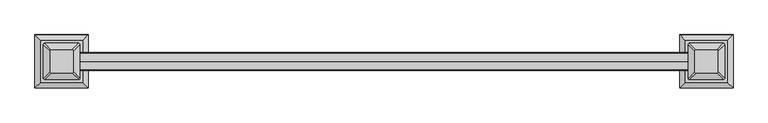
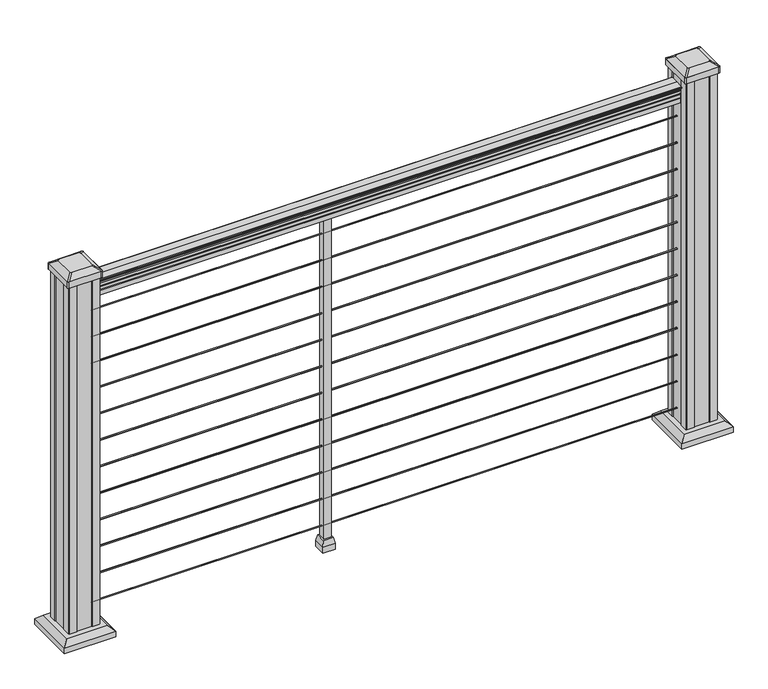
"""IFC4 building model written with IfcOpenShell, lengths in millimetres: railing geometry."""

from ifc_helpers import new_model, si_unit, point, frame, frame_2d, origin, origin_with_axes, place, context, project, spatial, polyline, circle_curve, trimmed, segment, composite_curve, outline, extrude, faceted_brep, source, transform, mapped, element, save
from ifc_brep_helpers import plane_surface, extruded_surface, advanced_brep


def railing_2fa614da(model_context):
    return source(origin(), model_context, "Body", "SolidModel", [
        extrude(outline(composite_curve([segment(polyline([(-101258.1992427, 938.4043297), (-101258.1992427, 940.292412)]), True, "CONTINUOUS"), segment(trimmed(circle_curve(frame_2d((-101251.8844895, 946.0506383)), 8.545951), [point((-101258.1992427, 940.292412))], [point((-101259.329429, 941.8546695))], False, "CARTESIAN"), True, "CONTINUOUS"), segment(trimmed(circle_curve(frame_2d((-101252.3215524, 945.4636577)), 7.882584), [point((-101259.329429, 941.8546695))], [point((-101259.329429, 949.0726458))], False, "CARTESIAN"), True, "CONTINUOUS"), segment(trimmed(circle_curve(frame_2d((-101262.8348766, 951.3112527)), 4.1592695), [point((-101259.329429, 949.0726458))], [point((-101258.6801726, 951.5060812))], True, "CARTESIAN"), True, "CONTINUOUS"), segment(trimmed(circle_curve(frame_2d((-101264.1221831, 951.2508864)), 5.4479907), [point((-101258.6801726, 951.5060812))], [point((-101261.1801726, 955.8362083))], True, "CARTESIAN"), True, "CONTINUOUS"), segment(trimmed(circle_curve(frame_2d((-101262.8890247, 955.833395)), 1.7088543), [point((-101261.1801726, 955.8362083))], [point((-101262.5895151, 957.5157972))], True, "CARTESIAN"), True, "CONTINUOUS"), segment(trimmed(circle_curve(frame_2d((-101261.2721246, 958.6205318)), 1.7192895), [point((-101262.5895151, 957.5157972))], [point((-101262.9914141, 958.6205318))], False, "CARTESIAN"), True, "CONTINUOUS"), segment(polyline([(-101262.9914141, 958.6205318), (-101262.991414, 959.9608158)]), True, "CONTINUOUS"), segment(trimmed(circle_curve(frame_2d((-101261.4379668, 959.9608158)), 1.5534472), [point((-101262.991414, 959.9608158))], [point((-101261.4379668, 961.514263))], False, "CARTESIAN"), True, "CONTINUOUS"), segment(polyline([(-101261.4379668, 961.514263), (-101240.766414, 961.514263), (-101220.0948612, 961.514263)]), True, "CONTINUOUS"), segment(trimmed(circle_curve(frame_2d((-101220.0948612, 959.9608158)), 1.5534472), [point((-101220.0948612, 961.514263))], [point((-101218.541414, 959.9608158))], False, "CARTESIAN"), True, "CONTINUOUS"), segment(polyline([(-101218.541414, 959.9608158), (-101218.541414, 958.6205318)]), True, "CONTINUOUS"), segment(trimmed(circle_curve(frame_2d((-101220.2607034, 958.6205318)), 1.7192895), [point((-101218.541414, 958.6205318))], [point((-101218.9433129, 957.5157972))], False, "CARTESIAN"), True, "CONTINUOUS"), segment(trimmed(circle_curve(frame_2d((-101218.6438033, 955.833395)), 1.7088543), [point((-101218.9433129, 957.5157972))], [point((-101220.3526554, 955.8362083))], True, "CARTESIAN"), True, "CONTINUOUS"), segment(trimmed(circle_curve(frame_2d((-101217.4106449, 951.2508864)), 5.4479907), [point((-101220.3526554, 955.8362083))], [point((-101222.8526554, 951.5060812))], True, "CARTESIAN"), True, "CONTINUOUS"), segment(trimmed(circle_curve(frame_2d((-101218.6979515, 951.3112527)), 4.1592695), [point((-101222.8526554, 951.5060812))], [point((-101222.203399, 949.0726458))], True, "CARTESIAN"), True, "CONTINUOUS"), segment(trimmed(circle_curve(frame_2d((-101229.2112756, 945.4636577)), 7.882584), [point((-101222.203399, 949.0726458))], [point((-101222.203399, 941.8546695))], False, "CARTESIAN"), True, "CONTINUOUS"), segment(trimmed(circle_curve(frame_2d((-101229.6483386, 946.0506383)), 8.545951), [point((-101222.203399, 941.8546695))], [point((-101223.3335853, 940.292412))], False, "CARTESIAN"), True, "CONTINUOUS"), segment(polyline([(-101223.3335853, 940.292412), (-101223.3335853, 938.4043297)]), True, "CONTINUOUS"), segment(trimmed(circle_curve(frame_2d((-101224.6204996, 938.4043297)), 1.2869144), [point((-101223.3335853, 938.4043297))], [point((-101225.907414, 938.4043297))], False, "CARTESIAN"), True, "CONTINUOUS"), segment(polyline([(-101225.907414, 938.4043297), (-101225.907414, 927.9048283), (-101224.891414, 926.8888283), (-101224.891414, 914.4), (-101256.641414, 914.4), (-101256.641414, 926.731013), (-101255.625414, 927.747013), (-101255.625414, 938.4043297)]), True, "CONTINUOUS"), segment(trimmed(circle_curve(frame_2d((-101256.9123284, 938.4043297)), 1.2869144), [point((-101255.625414, 938.4043297))], [point((-101258.1992427, 938.4043297))], False, "CARTESIAN"), True, "CONTINUOUS")], self_intersect=False)), frame((16844.0238122, 0.0, 0.0), z_axis=(1.0, 0.0, 0.0), x_axis=(0.0, 1.0, 0.0)), (0.0, 0.0, 1.0), 1524.0),
        extrude(outline(composite_curve([segment(trimmed(circle_curve(frame_2d((-101240.766414, 65.024)), 1.5875), [point((-101239.178914, 65.024))], [point((-101240.766414, 63.4365))], False, "CARTESIAN"), True, "CONTINUOUS"), segment(trimmed(circle_curve(frame_2d((-101240.766414, 65.024)), 1.5875), [point((-101240.766414, 63.4365))], [point((-101242.353914, 65.024))], False, "CARTESIAN"), True, "CONTINUOUS"), segment(trimmed(circle_curve(frame_2d((-101240.766414, 65.024)), 1.5875), [point((-101242.353914, 65.024))], [point((-101240.766414, 66.6115))], False, "CARTESIAN"), True, "CONTINUOUS"), segment(trimmed(circle_curve(frame_2d((-101240.766414, 65.024)), 1.5875), [point((-101240.766414, 66.6115))], [point((-101239.178914, 65.024))], False, "CARTESIAN"), True, "CONTINUOUS")], self_intersect=False)), frame((16844.0238122, 0.0, 0.0), z_axis=(1.0, 0.0, 0.0), x_axis=(0.0, 1.0, 0.0)), (0.0, 0.0, 1.0), 1524.0),
        extrude(outline(composite_curve([segment(trimmed(circle_curve(frame_2d((-101240.766414, 138.176)), 1.5875), [point((-101239.178914, 138.176))], [point((-101240.766414, 136.5885))], False, "CARTESIAN"), True, "CONTINUOUS"), segment(trimmed(circle_curve(frame_2d((-101240.766414, 138.176)), 1.5875), [point((-101240.766414, 136.5885))], [point((-101242.353914, 138.176))], False, "CARTESIAN"), True, "CONTINUOUS"), segment(trimmed(circle_curve(frame_2d((-101240.766414, 138.176)), 1.5875), [point((-101242.353914, 138.176))], [point((-101240.766414, 139.7635))], False, "CARTESIAN"), True, "CONTINUOUS"), segment(trimmed(circle_curve(frame_2d((-101240.766414, 138.176)), 1.5875), [point((-101240.766414, 139.7635))], [point((-101239.178914, 138.176))], False, "CARTESIAN"), True, "CONTINUOUS")], self_intersect=False)), frame((16844.0238122, 0.0, 0.0), z_axis=(1.0, 0.0, 0.0), x_axis=(0.0, 1.0, 0.0)), (0.0, 0.0, 1.0), 1524.0),
        extrude(outline(composite_curve([segment(trimmed(circle_curve(frame_2d((-101240.766414, 211.074)), 1.5875), [point((-101239.178914, 211.074))], [point((-101240.766414, 209.4865))], False, "CARTESIAN"), True, "CONTINUOUS"), segment(trimmed(circle_curve(frame_2d((-101240.766414, 211.074)), 1.5875), [point((-101240.766414, 209.4865))], [point((-101242.353914, 211.074))], False, "CARTESIAN"), True, "CONTINUOUS"), segment(trimmed(circle_curve(frame_2d((-101240.766414, 211.074)), 1.5875), [point((-101242.353914, 211.074))], [point((-101240.766414, 212.6615))], False, "CARTESIAN"), True, "CONTINUOUS"), segment(trimmed(circle_curve(frame_2d((-101240.766414, 211.074)), 1.5875), [point((-101240.766414, 212.6615))], [point((-101239.178914, 211.074))], False, "CARTESIAN"), True, "CONTINUOUS")], self_intersect=False)), frame((16844.0238122, 0.0, 0.0), z_axis=(1.0, 0.0, 0.0), x_axis=(0.0, 1.0, 0.0)), (0.0, 0.0, 1.0), 1524.0),
        extrude(outline(composite_curve([segment(trimmed(circle_curve(frame_2d((-101240.766414, 284.226)), 1.5875), [point((-101239.178914, 284.226))], [point((-101240.766414, 282.6385))], False, "CARTESIAN"), True, "CONTINUOUS"), segment(trimmed(circle_curve(frame_2d((-101240.766414, 284.226)), 1.5875), [point((-101240.766414, 282.6385))], [point((-101242.353914, 284.226))], False, "CARTESIAN"), True, "CONTINUOUS"), segment(trimmed(circle_curve(frame_2d((-101240.766414, 284.226)), 1.5875), [point((-101242.353914, 284.226))], [point((-101240.766414, 285.8135))], False, "CARTESIAN"), True, "CONTINUOUS"), segment(trimmed(circle_curve(frame_2d((-101240.766414, 284.226)), 1.5875), [point((-101240.766414, 285.8135))], [point((-101239.178914, 284.226))], False, "CARTESIAN"), True, "CONTINUOUS")], self_intersect=False)), frame((16844.0238122, 0.0, 0.0), z_axis=(1.0, 0.0, 0.0), x_axis=(0.0, 1.0, 0.0)), (0.0, 0.0, 1.0), 1524.0),
        extrude(outline(composite_curve([segment(trimmed(circle_curve(frame_2d((-101240.766414, 357.124)), 1.5875), [point((-101239.178914, 357.124))], [point((-101240.766414, 355.5365))], False, "CARTESIAN"), True, "CONTINUOUS"), segment(trimmed(circle_curve(frame_2d((-101240.766414, 357.124)), 1.5875), [point((-101240.766414, 355.5365))], [point((-101242.353914, 357.124))], False, "CARTESIAN"), True, "CONTINUOUS"), segment(trimmed(circle_curve(frame_2d((-101240.766414, 357.124)), 1.5875), [point((-101242.353914, 357.124))], [point((-101240.766414, 358.7115))], False, "CARTESIAN"), True, "CONTINUOUS"), segment(trimmed(circle_curve(frame_2d((-101240.766414, 357.124)), 1.5875), [point((-101240.766414, 358.7115))], [point((-101239.178914, 357.124))], False, "CARTESIAN"), True, "CONTINUOUS")], self_intersect=False)), frame((16844.0238122, 0.0, 0.0), z_axis=(1.0, 0.0, 0.0), x_axis=(0.0, 1.0, 0.0)), (0.0, 0.0, 1.0), 1524.0),
        extrude(outline(composite_curve([segment(trimmed(circle_curve(frame_2d((-101240.766414, 430.276)), 1.5875), [point((-101239.178914, 430.276))], [point((-101240.766414, 428.6885))], False, "CARTESIAN"), True, "CONTINUOUS"), segment(trimmed(circle_curve(frame_2d((-101240.766414, 430.276)), 1.5875), [point((-101240.766414, 428.6885))], [point((-101242.353914, 430.276))], False, "CARTESIAN"), True, "CONTINUOUS"), segment(trimmed(circle_curve(frame_2d((-101240.766414, 430.276)), 1.5875), [point((-101242.353914, 430.276))], [point((-101240.766414, 431.8635))], False, "CARTESIAN"), True, "CONTINUOUS"), segment(trimmed(circle_curve(frame_2d((-101240.766414, 430.276)), 1.5875), [point((-101240.766414, 431.8635))], [point((-101239.178914, 430.276))], False, "CARTESIAN"), True, "CONTINUOUS")], self_intersect=False)), frame((16844.0238122, 0.0, 0.0), z_axis=(1.0, 0.0, 0.0), x_axis=(0.0, 1.0, 0.0)), (0.0, 0.0, 1.0), 1524.0),
        extrude(outline(composite_curve([segment(trimmed(circle_curve(frame_2d((-101240.766414, 503.174)), 1.5875), [point((-101239.178914, 503.174))], [point((-101240.766414, 501.5865))], False, "CARTESIAN"), True, "CONTINUOUS"), segment(trimmed(circle_curve(frame_2d((-101240.766414, 503.174)), 1.5875), [point((-101240.766414, 501.5865))], [point((-101242.353914, 503.174))], False, "CARTESIAN"), True, "CONTINUOUS"), segment(trimmed(circle_curve(frame_2d((-101240.766414, 503.174)), 1.5875), [point((-101242.353914, 503.174))], [point((-101240.766414, 504.7615))], False, "CARTESIAN"), True, "CONTINUOUS"), segment(trimmed(circle_curve(frame_2d((-101240.766414, 503.174)), 1.5875), [point((-101240.766414, 504.7615))], [point((-101239.178914, 503.174))], False, "CARTESIAN"), True, "CONTINUOUS")], self_intersect=False)), frame((16844.0238122, 0.0, 0.0), z_axis=(1.0, 0.0, 0.0), x_axis=(0.0, 1.0, 0.0)), (0.0, 0.0, 1.0), 1524.0),
        extrude(outline(composite_curve([segment(trimmed(circle_curve(frame_2d((-101240.766414, 576.326)), 1.5875), [point((-101239.178914, 576.326))], [point((-101240.766414, 574.7385))], False, "CARTESIAN"), True, "CONTINUOUS"), segment(trimmed(circle_curve(frame_2d((-101240.766414, 576.326)), 1.5875), [point((-101240.766414, 574.7385))], [point((-101242.353914, 576.326))], False, "CARTESIAN"), True, "CONTINUOUS"), segment(trimmed(circle_curve(frame_2d((-101240.766414, 576.326)), 1.5875), [point((-101242.353914, 576.326))], [point((-101240.766414, 577.9135))], False, "CARTESIAN"), True, "CONTINUOUS"), segment(trimmed(circle_curve(frame_2d((-101240.766414, 576.326)), 1.5875), [point((-101240.766414, 577.9135))], [point((-101239.178914, 576.326))], False, "CARTESIAN"), True, "CONTINUOUS")], self_intersect=False)), frame((16844.0238122, 0.0, 0.0), z_axis=(1.0, 0.0, 0.0), x_axis=(0.0, 1.0, 0.0)), (0.0, 0.0, 1.0), 1524.0),
        extrude(outline(composite_curve([segment(trimmed(circle_curve(frame_2d((-101240.766414, 649.224)), 1.5875), [point((-101239.178914, 649.224))], [point((-101240.766414, 647.6365))], False, "CARTESIAN"), True, "CONTINUOUS"), segment(trimmed(circle_curve(frame_2d((-101240.766414, 649.224)), 1.5875), [point((-101240.766414, 647.6365))], [point((-101242.353914, 649.224))], False, "CARTESIAN"), True, "CONTINUOUS"), segment(trimmed(circle_curve(frame_2d((-101240.766414, 649.224)), 1.5875), [point((-101242.353914, 649.224))], [point((-101240.766414, 650.8115))], False, "CARTESIAN"), True, "CONTINUOUS"), segment(trimmed(circle_curve(frame_2d((-101240.766414, 649.224)), 1.5875), [point((-101240.766414, 650.8115))], [point((-101239.178914, 649.224))], False, "CARTESIAN"), True, "CONTINUOUS")], self_intersect=False)), frame((16844.0238122, 0.0, 0.0), z_axis=(1.0, 0.0, 0.0), x_axis=(0.0, 1.0, 0.0)), (0.0, 0.0, 1.0), 1524.0),
        extrude(outline(composite_curve([segment(trimmed(circle_curve(frame_2d((-101240.766414, 722.376)), 1.5875), [point((-101239.178914, 722.376))], [point((-101240.766414, 720.7885))], False, "CARTESIAN"), True, "CONTINUOUS"), segment(trimmed(circle_curve(frame_2d((-101240.766414, 722.376)), 1.5875), [point((-101240.766414, 720.7885))], [point((-101242.353914, 722.376))], False, "CARTESIAN"), True, "CONTINUOUS"), segment(trimmed(circle_curve(frame_2d((-101240.766414, 722.376)), 1.5875), [point((-101242.353914, 722.376))], [point((-101240.766414, 723.9635))], False, "CARTESIAN"), True, "CONTINUOUS"), segment(trimmed(circle_curve(frame_2d((-101240.766414, 722.376)), 1.5875), [point((-101240.766414, 723.9635))], [point((-101239.178914, 722.376))], False, "CARTESIAN"), True, "CONTINUOUS")], self_intersect=False)), frame((16844.0238122, 0.0, 0.0), z_axis=(1.0, 0.0, 0.0), x_axis=(0.0, 1.0, 0.0)), (0.0, 0.0, 1.0), 1524.0),
        extrude(outline(composite_curve([segment(trimmed(circle_curve(frame_2d((-101240.766414, 795.274)), 1.5875), [point((-101239.178914, 795.274))], [point((-101240.766414, 793.6865))], False, "CARTESIAN"), True, "CONTINUOUS"), segment(trimmed(circle_curve(frame_2d((-101240.766414, 795.274)), 1.5875), [point((-101240.766414, 793.6865))], [point((-101242.353914, 795.274))], False, "CARTESIAN"), True, "CONTINUOUS"), segment(trimmed(circle_curve(frame_2d((-101240.766414, 795.274)), 1.5875), [point((-101242.353914, 795.274))], [point((-101240.766414, 796.8615))], False, "CARTESIAN"), True, "CONTINUOUS"), segment(trimmed(circle_curve(frame_2d((-101240.766414, 795.274)), 1.5875), [point((-101240.766414, 796.8615))], [point((-101239.178914, 795.274))], False, "CARTESIAN"), True, "CONTINUOUS")], self_intersect=False)), frame((16844.0238122, 0.0, 0.0), z_axis=(1.0, 0.0, 0.0), x_axis=(0.0, 1.0, 0.0)), (0.0, 0.0, 1.0), 1524.0),
        extrude(outline(composite_curve([segment(trimmed(circle_curve(frame_2d((-101240.766414, 868.426)), 1.5875), [point((-101239.178914, 868.426))], [point((-101240.766414, 866.8385))], False, "CARTESIAN"), True, "CONTINUOUS"), segment(trimmed(circle_curve(frame_2d((-101240.766414, 868.426)), 1.5875), [point((-101240.766414, 866.8385))], [point((-101242.353914, 868.426))], False, "CARTESIAN"), True, "CONTINUOUS"), segment(trimmed(circle_curve(frame_2d((-101240.766414, 868.426)), 1.5875), [point((-101242.353914, 868.426))], [point((-101240.766414, 870.0135))], False, "CARTESIAN"), True, "CONTINUOUS"), segment(trimmed(circle_curve(frame_2d((-101240.766414, 868.426)), 1.5875), [point((-101240.766414, 870.0135))], [point((-101239.178914, 868.426))], False, "CARTESIAN"), True, "CONTINUOUS")], self_intersect=False)), frame((16844.0238122, 0.0, 0.0), z_axis=(1.0, 0.0, 0.0), x_axis=(0.0, 1.0, 0.0)), (0.0, 0.0, 1.0), 1524.0),
        faceted_brep([(17466.3238122, -101253.466414, 32.1497081), (17466.3238122, -101228.066414, 32.1497081), (17440.9238122, -101228.066414, 32.1497081), (17440.9238122, -101253.466414, 32.1497081), (17469.4988122, -101256.641414, 16.2747081), (17437.7488122, -101256.641414, 16.2747081), (17437.7488122, -101224.891414, 16.2747081), (17469.4988122, -101224.891414, 16.2747081)], [[[0, 1, 2, 3]], [[4, 5, 6, 7]], [[4, 7, 1, 0]], [[7, 6, 2, 1]], [[6, 5, 3, 2]], [[5, 4, 0, 3]]]),
        extrude(outline(polyline([(17469.4988122, -101256.641414), (17437.7488122, -101256.641414), (17437.7488122, -101224.891414), (17469.4988122, -101224.891414), (17469.4988122, -101256.641414)])), origin_with_axes(), (0.0, 0.0, 1.0), 16.2747081),
        extrude(outline(polyline([(17463.1488122, -101250.291414), (17444.0988122, -101250.291414), (17444.0988122, -101231.241414), (17463.1488122, -101231.241414), (17463.1488122, -101250.291414)])), origin_with_axes(), (0.0, 0.0, 1.0), 914.4),
        faceted_brep([(16855.2077497, -101293.3523515, 28.575), (16855.2077497, -101188.1804765, 28.575), (16750.0358747, -101188.1804765, 28.575), (16750.0358747, -101293.3523515, 28.575), (16869.2472028, -101307.3918046, 15.24), (16735.9964216, -101307.3918046, 15.24), (16735.9964216, -101174.1410234, 15.24), (16869.2472028, -101174.1410234, 15.24)], [[[0, 1, 2, 3]], [[4, 5, 6, 7]], [[4, 7, 1, 0]], [[7, 6, 2, 1]], [[6, 5, 3, 2]], [[5, 4, 0, 3]]]),
        extrude(outline(polyline([(16869.2472028, -101307.3918046), (16735.9964216, -101307.3918046), (16735.9964216, -101174.1410234), (16869.2472028, -101174.1410234), (16869.2472028, -101307.3918046)])), origin_with_axes(), (0.0, 0.0, 1.0), 15.24),
        advanced_brep(
        [(16831.5936872, -101214.969539, 1012.825), (16828.4186872, -101211.794539, 1012.825), (16776.8249372, -101211.794539, 1012.825), (16773.6499372, -101214.969539, 1012.825), (16773.6499372, -101266.563289, 1012.825), (16776.8249372, -101269.738289, 1012.825), (16828.4186872, -101269.738289, 1012.825), (16831.5936872, -101266.563289, 1012.825), (16847.8655622, -101198.697664, 1001.522), (16847.8655622, -101282.835164, 1001.522), (16844.6905622, -101286.010164, 1001.522), (16760.5530622, -101286.010164, 1001.522), (16757.3780622, -101282.835164, 1001.522), (16757.3780622, -101198.697664, 1001.522), (16760.5530622, -101195.522664, 1001.522), (16844.6905622, -101195.522664, 1001.522)],
        [
            (0, 1, circle_curve(frame((16828.4186872, -101214.969539, 1012.825), z_axis=(0.0, 0.0, 1.0), x_axis=(-1.0, 0.0, 0.0)), 3.175)),
            (1, 2),
            (2, 3, circle_curve(frame((16776.8249372, -101214.969539, 1012.825), z_axis=(0.0, 0.0, 1.0), x_axis=(-1.0, 0.0, 0.0)), 3.175)),
            (3, 4),
            (4, 5, circle_curve(frame((16776.8249372, -101266.563289, 1012.825), z_axis=(0.0, 0.0, 1.0), x_axis=(-1.0, 0.0, 0.0)), 3.175)),
            (5, 6),
            (6, 7, circle_curve(frame((16828.4186872, -101266.563289, 1012.825), z_axis=(0.0, 0.0, 1.0), x_axis=(-1.0, 0.0, 0.0)), 3.175)),
            (7, 0),
            (8, 9),
            (9, 10, circle_curve(frame((16844.6905622, -101282.835164, 1001.522), z_axis=(0.0, 0.0, -1.0), x_axis=(-1.0, 0.0, 0.0)), 3.175)),
            (10, 11),
            (11, 12, circle_curve(frame((16760.5530622, -101282.835164, 1001.522), z_axis=(0.0, 0.0, -1.0), x_axis=(-1.0, 0.0, 0.0)), 3.175)),
            (12, 13),
            (13, 14, circle_curve(frame((16760.5530622, -101198.697664, 1001.522), z_axis=(0.0, 0.0, -1.0), x_axis=(-1.0, 0.0, 0.0)), 3.175)),
            (14, 15),
            (15, 8, circle_curve(frame((16844.6905622, -101198.697664, 1001.522), z_axis=(0.0, 0.0, -1.0), x_axis=(-1.0, 0.0, 0.0)), 3.175)),
            (15, 1),
            (0, 8),
            (14, 2),
            (13, 3),
            (12, 4),
            (11, 5),
            (10, 6),
            (9, 7),
        ],
        [
            plane_surface(frame((16802.6218122, -101240.766414, 1012.825), z_axis=(0.0, 0.0, 1.0), x_axis=(0.0, 1.0, 0.0))),
            plane_surface(frame((16802.6218122, -101240.766414, 1001.522), z_axis=(0.0, 0.0, -1.0), x_axis=(0.0, 1.0, 0.0))),
            extruded_surface(trimmed(circle_curve(frame((16844.6905622, -101198.697664, 1001.522), z_axis=(0.0, 0.0, 1.0), x_axis=(-1.0, 0.0, 0.0)), 3.175), [point((16847.8655622, -101198.697664, 1001.522))], [point((16844.6905622, -101195.522664, 1001.522))], True, "CARTESIAN"), (-16.271875000002183, -16.27187499999127, 11.302999999999997), 25.637972638862003),
            plane_surface(frame((16802.6218122, -101195.522664, 1001.522), z_axis=(0.0, 0.5705009161540779, 0.8212969649690408), x_axis=(-1.0, 0.0, 0.0))),
            extruded_surface(trimmed(circle_curve(frame((16760.5530622, -101198.697664, 1001.522), z_axis=(0.0, 0.0, 1.0), x_axis=(-1.0, 0.0, 0.0)), 3.175), [point((16760.5530622, -101195.522664, 1001.522))], [point((16757.3780622, -101198.697664, 1001.522))], True, "CARTESIAN"), (16.271874999998545, -16.27187499999127, 11.302999999999997), 25.637972638859697),
            plane_surface(frame((16757.3780622, -101240.766414, 1001.522), z_axis=(-0.5705009161540291, 0.0, 0.8212969649690747), x_axis=(0.0, -1.0, 0.0))),
            extruded_surface(trimmed(circle_curve(frame((16760.5530622, -101282.835164, 1001.522), z_axis=(0.0, 0.0, 1.0), x_axis=(-1.0, 0.0, 0.0)), 3.175), [point((16757.3780622, -101282.835164, 1001.522))], [point((16760.5530622, -101286.010164, 1001.522))], True, "CARTESIAN"), (16.271874999998545, 16.27187500000582, 11.302999999999997), 25.637972638868934),
            plane_surface(frame((16802.6218122, -101286.010164, 1001.522), z_axis=(0.0, -0.5705009161540141, 0.8212969649690851), x_axis=(1.0, 0.0, 0.0))),
            extruded_surface(trimmed(circle_curve(frame((16844.6905622, -101282.835164, 1001.522), z_axis=(0.0, 0.0, 1.0), x_axis=(-1.0, 0.0, 0.0)), 3.175), [point((16844.6905622, -101286.010164, 1001.522))], [point((16847.8655622, -101282.835164, 1001.522))], True, "CARTESIAN"), (-16.271875000002183, 16.27187500000582, 11.302999999999997), 25.63797263887124),
            plane_surface(frame((16847.8655622, -101240.766414, 1001.522), z_axis=(0.570500916154034, 0.0, 0.8212969649690713), x_axis=(0.0, 1.0, 0.0))),
        ],
        [
            (0, [[1, 2, 3, 4, 5, 6, 7, 8]]),
            (1, [[9, 10, 11, 12, 13, 14, 15, 16]]),
            (2, [[-16, 17, -1, 18]]),
            (3, [[-15, 19, -2, -17]]),
            (4, [[-14, 20, -3, -19]]),
            (5, [[-13, 21, -4, -20]]),
            (6, [[-12, 22, -5, -21]]),
            (7, [[-11, 23, -6, -22]]),
            (8, [[-10, 24, -7, -23]]),
            (9, [[-9, -18, -8, -24]]),
        ],
    ),
        extrude(outline(composite_curve([segment(polyline([(16847.8655622, -101198.697664), (16847.8655622, -101282.835164)]), True, "CONTINUOUS"), segment(trimmed(circle_curve(frame_2d((16844.6905622, -101282.835164)), 3.175), [point((16847.8655622, -101282.835164))], [point((16844.6905622, -101286.010164))], False, "CARTESIAN"), True, "CONTINUOUS"), segment(polyline([(16844.6905622, -101286.010164), (16760.5530622, -101286.010164)]), True, "CONTINUOUS"), segment(trimmed(circle_curve(frame_2d((16760.5530622, -101282.835164)), 3.175), [point((16760.5530622, -101286.010164))], [point((16757.3780622, -101282.835164))], False, "CARTESIAN"), True, "CONTINUOUS"), segment(polyline([(16757.3780622, -101282.835164), (16757.3780622, -101198.697664)]), True, "CONTINUOUS"), segment(trimmed(circle_curve(frame_2d((16760.5530622, -101198.697664)), 3.175), [point((16757.3780622, -101198.697664))], [point((16760.5530622, -101195.522664))], False, "CARTESIAN"), True, "CONTINUOUS"), segment(polyline([(16760.5530622, -101195.522664), (16844.6905622, -101195.522664)]), True, "CONTINUOUS"), segment(trimmed(circle_curve(frame_2d((16844.6905622, -101198.697664)), 3.175), [point((16844.6905622, -101195.522664))], [point((16847.8655622, -101198.697664))], False, "CARTESIAN"), True, "CONTINUOUS")], self_intersect=False)), frame((0.0, 0.0, 984.25), z_axis=(0.0, 0.0, 1.0), x_axis=(1.0, 0.0, 0.0)), (0.0, 0.0, 1.0), 17.272),
        extrude(outline(polyline([(16843.8968122, -101201.078914), (16843.8968122, -101220.700414), (16842.3093122, -101221.462414), (16842.3093122, -101260.070414), (16843.8968122, -101260.832414), (16843.8968122, -101280.453914), (16842.3093122, -101282.041414), (16822.6878122, -101282.041414), (16821.9258122, -101280.453914), (16783.3178122, -101280.453914), (16782.5558122, -101282.041414), (16762.9343122, -101282.041414), (16761.3468122, -101280.453914), (16761.3468122, -101260.832414), (16762.9343122, -101260.070414), (16762.9343122, -101221.462414), (16761.3468122, -101220.700414), (16761.3468122, -101201.078914), (16762.9343122, -101199.491414), (16782.5558122, -101199.491414), (16783.3178122, -101201.078914), (16821.9258122, -101201.078914), (16822.6878122, -101199.491414), (16842.3093122, -101199.491414), (16843.8968122, -101201.078914)])), origin_with_axes(), (0.0, 0.0, 1.0), 984.25),
        faceted_brep([(18462.0117497, -101293.3523515, 28.575), (18462.0117497, -101188.1804765, 28.575), (18356.8398747, -101188.1804765, 28.575), (18356.8398747, -101293.3523515, 28.575), (18476.0512028, -101307.3918046, 15.24), (18342.8004216, -101307.3918046, 15.24), (18342.8004216, -101174.1410234, 15.24), (18476.0512028, -101174.1410234, 15.24)], [[[0, 1, 2, 3]], [[4, 5, 6, 7]], [[4, 7, 1, 0]], [[7, 6, 2, 1]], [[6, 5, 3, 2]], [[5, 4, 0, 3]]]),
        extrude(outline(polyline([(18476.0512028, -101307.3918046), (18342.8004216, -101307.3918046), (18342.8004216, -101174.1410234), (18476.0512028, -101174.1410234), (18476.0512028, -101307.3918046)])), origin_with_axes(), (0.0, 0.0, 1.0), 15.24),
        advanced_brep(
        [(18438.3976872, -101214.969539, 1012.825), (18435.2226872, -101211.794539, 1012.825), (18383.6289372, -101211.794539, 1012.825), (18380.4539372, -101214.969539, 1012.825), (18380.4539372, -101266.563289, 1012.825), (18383.6289372, -101269.738289, 1012.825), (18435.2226872, -101269.738289, 1012.825), (18438.3976872, -101266.563289, 1012.825), (18454.6695622, -101198.697664, 1001.522), (18454.6695622, -101282.835164, 1001.522), (18451.4945622, -101286.010164, 1001.522), (18367.3570622, -101286.010164, 1001.522), (18364.1820622, -101282.835164, 1001.522), (18364.1820622, -101198.697664, 1001.522), (18367.3570622, -101195.522664, 1001.522), (18451.4945622, -101195.522664, 1001.522)],
        [
            (0, 1, circle_curve(frame((18435.2226872, -101214.969539, 1012.825), z_axis=(0.0, 0.0, 1.0), x_axis=(-1.0, 0.0, 0.0)), 3.175)),
            (1, 2),
            (2, 3, circle_curve(frame((18383.6289372, -101214.969539, 1012.825), z_axis=(0.0, 0.0, 1.0), x_axis=(-1.0, 0.0, 0.0)), 3.175)),
            (3, 4),
            (4, 5, circle_curve(frame((18383.6289372, -101266.563289, 1012.825), z_axis=(0.0, 0.0, 1.0), x_axis=(-1.0, 0.0, 0.0)), 3.175)),
            (5, 6),
            (6, 7, circle_curve(frame((18435.2226872, -101266.563289, 1012.825), z_axis=(0.0, 0.0, 1.0), x_axis=(-1.0, 0.0, 0.0)), 3.175)),
            (7, 0),
            (8, 9),
            (9, 10, circle_curve(frame((18451.4945622, -101282.835164, 1001.522), z_axis=(0.0, 0.0, -1.0), x_axis=(-1.0, 0.0, 0.0)), 3.175)),
            (10, 11),
            (11, 12, circle_curve(frame((18367.3570622, -101282.835164, 1001.522), z_axis=(0.0, 0.0, -1.0), x_axis=(-1.0, 0.0, 0.0)), 3.175)),
            (12, 13),
            (13, 14, circle_curve(frame((18367.3570622, -101198.697664, 1001.522), z_axis=(0.0, 0.0, -1.0), x_axis=(-1.0, 0.0, 0.0)), 3.175)),
            (14, 15),
            (15, 8, circle_curve(frame((18451.4945622, -101198.697664, 1001.522), z_axis=(0.0, 0.0, -1.0), x_axis=(-1.0, 0.0, 0.0)), 3.175)),
            (15, 1),
            (0, 8),
            (14, 2),
            (13, 3),
            (12, 4),
            (11, 5),
            (10, 6),
            (9, 7),
        ],
        [
            plane_surface(frame((18409.4258122, -101240.766414, 1012.825), z_axis=(0.0, 0.0, 1.0), x_axis=(0.0, 1.0, 0.0))),
            plane_surface(frame((18409.4258122, -101240.766414, 1001.522), z_axis=(0.0, 0.0, -1.0), x_axis=(0.0, 1.0, 0.0))),
            extruded_surface(trimmed(circle_curve(frame((18451.4945622, -101198.697664, 1001.522), z_axis=(0.0, 0.0, 1.0), x_axis=(-1.0, 0.0, 0.0)), 3.175), [point((18454.6695622, -101198.697664, 1001.522))], [point((18451.4945622, -101195.522664, 1001.522))], True, "CARTESIAN"), (-16.271875000002183, -16.27187499999127, 11.302999999999997), 25.637972638862003),
            plane_surface(frame((18409.4258122, -101195.522664, 1001.522), z_axis=(0.0, 0.5705009161540779, 0.8212969649690408), x_axis=(-1.0, 0.0, 0.0))),
            extruded_surface(trimmed(circle_curve(frame((18367.3570622, -101198.697664, 1001.522), z_axis=(0.0, 0.0, 1.0), x_axis=(-1.0, 0.0, 0.0)), 3.175), [point((18367.3570622, -101195.522664, 1001.522))], [point((18364.1820622, -101198.697664, 1001.522))], True, "CARTESIAN"), (16.271874999998545, -16.27187499999127, 11.302999999999997), 25.637972638859697),
            plane_surface(frame((18364.1820622, -101240.766414, 1001.522), z_axis=(-0.5705009161540291, 0.0, 0.8212969649690747), x_axis=(0.0, -1.0, 0.0))),
            extruded_surface(trimmed(circle_curve(frame((18367.3570622, -101282.835164, 1001.522), z_axis=(0.0, 0.0, 1.0), x_axis=(-1.0, 0.0, 0.0)), 3.175), [point((18364.1820622, -101282.835164, 1001.522))], [point((18367.3570622, -101286.010164, 1001.522))], True, "CARTESIAN"), (16.271874999998545, 16.27187500000582, 11.302999999999997), 25.637972638868934),
            plane_surface(frame((18409.4258122, -101286.010164, 1001.522), z_axis=(0.0, -0.5705009161540141, 0.8212969649690851), x_axis=(1.0, 0.0, 0.0))),
            extruded_surface(trimmed(circle_curve(frame((18451.4945622, -101282.835164, 1001.522), z_axis=(0.0, 0.0, 1.0), x_axis=(-1.0, 0.0, 0.0)), 3.175), [point((18451.4945622, -101286.010164, 1001.522))], [point((18454.6695622, -101282.835164, 1001.522))], True, "CARTESIAN"), (-16.271875000002183, 16.27187500000582, 11.302999999999997), 25.63797263887124),
            plane_surface(frame((18454.6695622, -101240.766414, 1001.522), z_axis=(0.570500916154034, 0.0, 0.8212969649690713), x_axis=(0.0, 1.0, 0.0))),
        ],
        [
            (0, [[1, 2, 3, 4, 5, 6, 7, 8]]),
            (1, [[9, 10, 11, 12, 13, 14, 15, 16]]),
            (2, [[-16, 17, -1, 18]]),
            (3, [[-15, 19, -2, -17]]),
            (4, [[-14, 20, -3, -19]]),
            (5, [[-13, 21, -4, -20]]),
            (6, [[-12, 22, -5, -21]]),
            (7, [[-11, 23, -6, -22]]),
            (8, [[-10, 24, -7, -23]]),
            (9, [[-9, -18, -8, -24]]),
        ],
    ),
        extrude(outline(composite_curve([segment(polyline([(18454.6695622, -101198.697664), (18454.6695622, -101282.835164)]), True, "CONTINUOUS"), segment(trimmed(circle_curve(frame_2d((18451.4945622, -101282.835164)), 3.175), [point((18454.6695622, -101282.835164))], [point((18451.4945622, -101286.010164))], False, "CARTESIAN"), True, "CONTINUOUS"), segment(polyline([(18451.4945622, -101286.010164), (18367.3570622, -101286.010164)]), True, "CONTINUOUS"), segment(trimmed(circle_curve(frame_2d((18367.3570622, -101282.835164)), 3.175), [point((18367.3570622, -101286.010164))], [point((18364.1820622, -101282.835164))], False, "CARTESIAN"), True, "CONTINUOUS"), segment(polyline([(18364.1820622, -101282.835164), (18364.1820622, -101198.697664)]), True, "CONTINUOUS"), segment(trimmed(circle_curve(frame_2d((18367.3570622, -101198.697664)), 3.175), [point((18364.1820622, -101198.697664))], [point((18367.3570622, -101195.522664))], False, "CARTESIAN"), True, "CONTINUOUS"), segment(polyline([(18367.3570622, -101195.522664), (18451.4945622, -101195.522664)]), True, "CONTINUOUS"), segment(trimmed(circle_curve(frame_2d((18451.4945622, -101198.697664)), 3.175), [point((18451.4945622, -101195.522664))], [point((18454.6695622, -101198.697664))], False, "CARTESIAN"), True, "CONTINUOUS")], self_intersect=False)), frame((0.0, 0.0, 984.25), z_axis=(0.0, 0.0, 1.0), x_axis=(1.0, 0.0, 0.0)), (0.0, 0.0, 1.0), 17.272),
        extrude(outline(polyline([(18450.7008122, -101201.078914), (18450.7008122, -101220.700414), (18449.1133122, -101221.462414), (18449.1133122, -101260.070414), (18450.7008122, -101260.832414), (18450.7008122, -101280.453914), (18449.1133122, -101282.041414), (18429.4918122, -101282.041414), (18428.7298122, -101280.453914), (18390.1218122, -101280.453914), (18389.3598122, -101282.041414), (18369.7383122, -101282.041414), (18368.1508122, -101280.453914), (18368.1508122, -101260.832414), (18369.7383122, -101260.070414), (18369.7383122, -101221.462414), (18368.1508122, -101220.700414), (18368.1508122, -101201.078914), (18369.7383122, -101199.491414), (18389.3598122, -101199.491414), (18390.1218122, -101201.078914), (18428.7298122, -101201.078914), (18429.4918122, -101199.491414), (18449.1133122, -101199.491414), (18450.7008122, -101201.078914)])), origin_with_axes(), (0.0, 0.0, 1.0), 984.25),
    ])


if __name__ == "__main__":
    model = new_model("IFC4")
    model_context = context("Model", 3, world=origin())
    ifc_project = project(units=[si_unit("LENGTHUNIT", "METRE", prefix="MILLI")], contexts=[model_context])
    site = spatial("IfcSite", under=ifc_project)
    building = spatial("IfcBuilding", under=site)
    placement = place(None, origin())
    railing_shape = railing_2fa614da(model_context)
    element("IfcRailing", 1, at=placement, inside=building, context=model_context, shape_type="MappedRepresentation", body=[
        mapped(railing_shape, transform((0.0, 0.0, 0.0), x_axis=(1.0, 0.0, 0.0), y_axis=(0.0, 1.0, 0.0), z_axis=(0.0, 0.0, 1.0))),
    ])
    save(model, "model.ifc")
